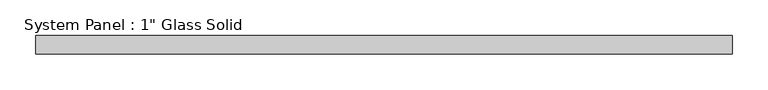
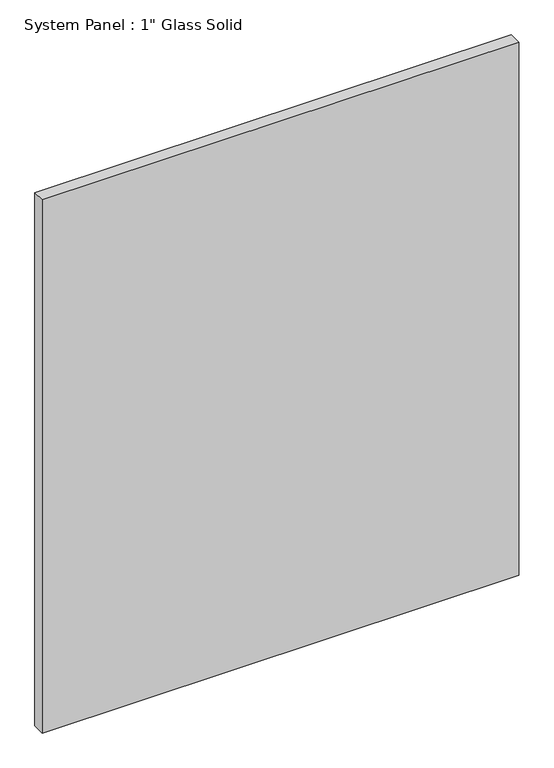
"""IFC4 building model written with IfcOpenShell, lengths in millimetres: plate geometry."""

from ifc_helpers import new_model, si_unit, origin, origin_with_axes, place, context, project, spatial, polyline, outline, extrude, source, transform, mapped, element, save


def plate_f8d3da0b(model_context):
    return source(origin(), model_context, "Body", "SweptSolid", [
        extrude(outline(polyline([(485.7758852, -12.7), (-485.7758852, -12.7), (-485.7758852, 12.7), (485.7758852, 12.7), (485.7758852, -12.7)])), origin_with_axes(), (0.0, 0.0, 1.0), 1149.3517704),
    ])


if __name__ == "__main__":
    model = new_model("IFC4")
    model_context = context("Model", 3, world=origin())
    ifc_project = project(units=[si_unit("LENGTHUNIT", "METRE", prefix="MILLI")], contexts=[model_context])
    site = spatial("IfcSite", under=ifc_project)
    building = spatial("IfcBuilding", under=site)
    placement = place(None, origin())
    plate_shape = plate_f8d3da0b(model_context)
    element("IfcPlate", 1, ObjectType="System Panel : 1\" Glass Solid", at=placement, inside=building, context=model_context, shape_type="MappedRepresentation", body=[
        mapped(plate_shape, transform((0.0, 0.0, 0.0), x_axis=(1.0, 0.0, 0.0), y_axis=(0.0, 1.0, 0.0), z_axis=(0.0, 0.0, 1.0))),
    ])
    save(model, "model.ifc")
